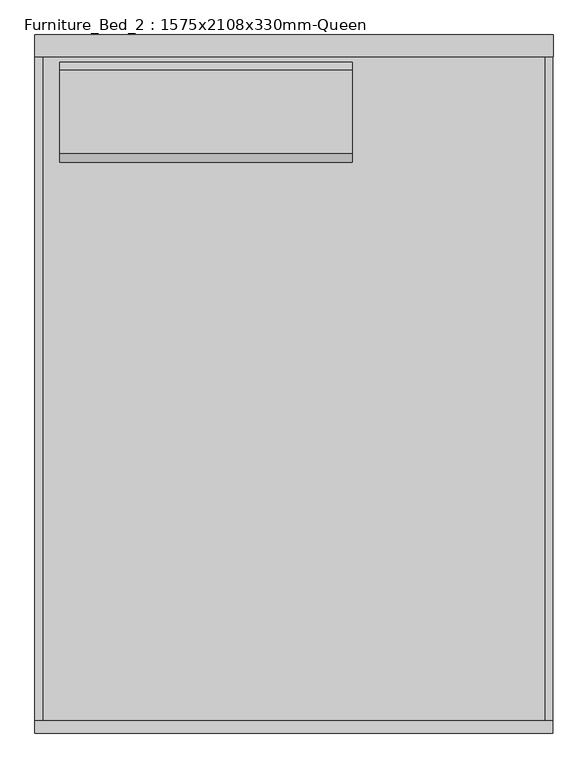
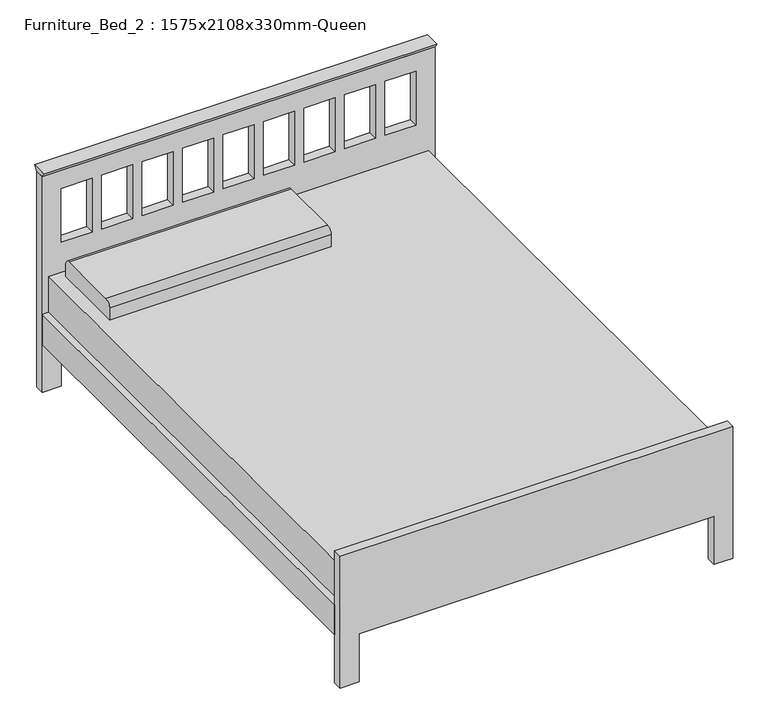
"""IFC4 building model written with IfcOpenShell, lengths in millimetres: furniture geometry, Furniture_Bed_2 : 1575x2108x330mm-Queen."""

from ifc_helpers import new_model, si_unit, point, frame, frame_2d, origin, place, context, project, spatial, polyline, circle_curve, trimmed, segment, composite_curve, outline, extrude, source, transform, mapped, element, save


def furniture_bed_2_1575x2108x330mm_queen_b73486f7(model_context):
    return source(origin(), model_context, "Body", "SweptSolid", [
        extrude(outline(polyline([(-38.1, 914.4), (-51.9545455, 933.45), (13.8545455, 933.45), (0.0, 914.4), (-38.1, 914.4)])), frame((-806.2365546, 0.0, 0.0), z_axis=(1.0, 0.0, 0.0), x_axis=(0.0, 1.0, 0.0)), (0.0, 0.0, 1.0), 1574.8533613),
        extrude(outline(composite_curve([segment(polyline([(-373.2486637, 482.6), (-373.2486637, 533.4)]), True, "CONTINUOUS"), segment(trimmed(circle_curve(frame_2d((-347.8486637, 533.4)), 25.4), [point((-373.2486637, 533.4))], [point((-347.8486637, 558.8))], False, "CARTESIAN"), True, "CONTINUOUS"), segment(polyline([(-347.8486637, 558.8), (-93.8486637, 558.8)]), True, "CONTINUOUS"), segment(trimmed(circle_curve(frame_2d((-93.8486637, 533.4)), 25.4), [point((-93.8486637, 558.8))], [point((-68.4486637, 533.4))], False, "CARTESIAN"), True, "CONTINUOUS"), segment(polyline([(-68.4486637, 533.4), (-68.4486637, 482.6), (-373.2486637, 482.6)]), True, "CONTINUOUS")], self_intersect=False)), frame((-730.25, 0.0, 0.0), z_axis=(1.0, 0.0, 0.0), x_axis=(0.0, 1.0, 0.0)), (0.0, 0.0, 1.0), 889.0),
        extrude(outline(polyline([(742.95, -38.1), (742.95, -2070.1), (-781.05, -2070.1), (-781.05, -38.1), (742.95, -38.1)])), frame((0.0, 0.0, 228.6), z_axis=(0.0, 0.0, 1.0), x_axis=(1.0, 0.0, 0.0)), (0.0, 0.0, 1.0), 254.0),
        extrude(outline(polyline([(742.95, -2070.1), (742.95, -38.1), (768.35, -38.1), (768.35, -2070.1), (742.95, -2070.1)])), frame((0.0, 0.0, 203.0994861), z_axis=(0.0, 0.0, 1.0), x_axis=(1.0, 0.0, 0.0)), (0.0, 0.0, 1.0), 127.0),
        extrude(outline(polyline([(-806.45, -2070.1), (-806.45, -38.1), (-781.05, -38.1), (-781.05, -2070.1), (-806.45, -2070.1)])), frame((0.0, 0.0, 203.5755296), z_axis=(0.0, 0.0, 1.0), x_axis=(1.0, 0.0, 0.0)), (0.0, 0.0, 1.0), 127.0),
        extrude(outline(polyline([(0.0, -730.25), (203.2, -730.25), (203.2, 692.15), (0.0, 692.15), (0.0, 768.35), (558.8, 768.35), (558.8, -806.45), (0.0, -806.45), (0.0, -730.25)])), frame((0.0, -2108.2, 0.0), z_axis=(0.0, 1.0, 0.0), x_axis=(0.0, 0.0, 1.0)), (0.0, 0.0, 1.0), 38.1),
        extrude(outline(polyline([(914.4, 768.6168067), (914.4, -806.2365546), (0.0, -806.2365546), (0.0, -730.25), (203.2, -730.25), (203.2, 158.75), (0.0, 158.75), (0.0, 768.6168067), (914.4, 768.6168067)]), holes=[polyline([(838.2, -606.0722222), (609.6, -606.0722222), (609.6, -730.25), (838.2, -730.25), (838.2, -606.0722222)]), polyline([(838.2, -443.7944444), (609.6, -443.7944444), (609.6, -567.9722222), (838.2, -567.9722222), (838.2, -443.7944444)]), polyline([(838.2, -281.5166667), (609.6, -281.5166667), (609.6, -405.6944444), (838.2, -405.6944444), (838.2, -281.5166667)]), polyline([(838.2, -119.2388889), (609.6, -119.2388889), (609.6, -243.4166667), (838.2, -243.4166667), (838.2, -119.2388889)]), polyline([(838.2, 205.3166667), (609.6, 205.3166667), (609.6, 81.1388889), (838.2, 81.1388889), (838.2, 205.3166667)]), polyline([(838.2, 367.5944444), (609.6, 367.5944444), (609.6, 243.4166667), (838.2, 243.4166667), (838.2, 367.5944444)]), polyline([(838.2, 529.8722222), (609.6, 529.8722222), (609.6, 405.6944444), (838.2, 405.6944444), (838.2, 529.8722222)]), polyline([(838.2, 692.15), (609.6, 692.15), (609.6, 567.9722222), (838.2, 567.9722222), (838.2, 692.15)]), polyline([(838.2, 43.0388889), (609.6, 43.0388889), (609.6, -81.1388889), (838.2, -81.1388889), (838.2, 43.0388889)])]), frame((0.0, -38.1, 0.0), z_axis=(0.0, 1.0, 0.0), x_axis=(0.0, 0.0, 1.0)), (0.0, 0.0, 1.0), 38.1),
    ])


if __name__ == "__main__":
    model = new_model("IFC4")
    model_context = context("Model", 3, world=origin())
    ifc_project = project(units=[si_unit("LENGTHUNIT", "METRE", prefix="MILLI")], contexts=[model_context])
    site = spatial("IfcSite", under=ifc_project)
    building = spatial("IfcBuilding", under=site)
    placement = place(None, origin())
    furniture_bed_2_1575x2108x330mm_queen_shape = furniture_bed_2_1575x2108x330mm_queen_b73486f7(model_context)
    element("IfcFurniture", 1, ObjectType="Furniture_Bed_2 : 1575x2108x330mm-Queen", at=placement, inside=building, context=model_context, shape_type="MappedRepresentation", body=[
        mapped(furniture_bed_2_1575x2108x330mm_queen_shape, transform((0.0, 0.0, 0.0), x_axis=(1.0, 0.0, 0.0), y_axis=(0.0, 1.0, 0.0), z_axis=(0.0, 0.0, 1.0))),
    ])
    save(model, "model.ifc")
